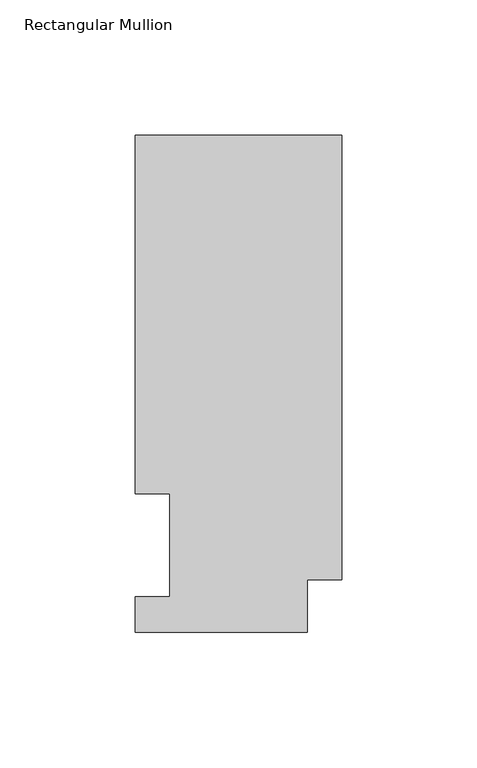
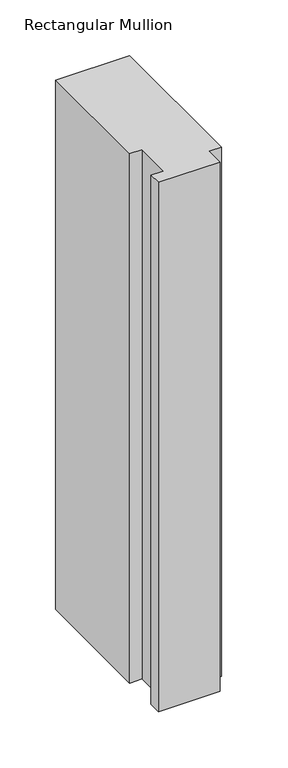
"""IFC4 building model written with IfcOpenShell, lengths in millimetres: member geometry, Rectangular Mullion."""

from ifc_helpers import new_model, si_unit, frame, origin, place, context, project, spatial, polyline, outline, extrude, source, transform, mapped, element, save


def rectangular_mullion_80002140(model_context):
    return source(origin(), model_context, "Body", "SweptSolid", [
        extrude(outline(polyline([(0.0, 221.9539313), (0.0, 57.8445312), (-12.6999996, 57.8445312), (-12.6999996, 38.3119312), (-76.2, 38.3119312), (-76.2, 51.4945312), (-63.4943324, 51.4945312), (-63.4943324, 89.5945313), (-76.2, 89.5945313), (-76.2, 221.9539313), (0.0, 221.9539313)])), frame((0.0, 0.0, -577.8500002), z_axis=(0.0, 0.0, 1.0), x_axis=(1.0, 0.0, 0.0)), (0.0, 0.0, 1.0), 577.8500002),
    ])


if __name__ == "__main__":
    model = new_model("IFC4")
    model_context = context("Model", 3, world=origin())
    ifc_project = project(units=[si_unit("LENGTHUNIT", "METRE", prefix="MILLI")], contexts=[model_context])
    site = spatial("IfcSite", under=ifc_project)
    building = spatial("IfcBuilding", under=site)
    placement = place(None, origin())
    rectangular_mullion_shape = rectangular_mullion_80002140(model_context)
    element("IfcMember", 1, ObjectType="Rectangular Mullion", at=placement, inside=building, context=model_context, shape_type="MappedRepresentation", body=[
        mapped(rectangular_mullion_shape, transform((0.0, 0.0, 0.0), x_axis=(1.0, 0.0, 0.0), y_axis=(0.0, 1.0, 0.0), z_axis=(0.0, 0.0, 1.0))),
    ])
    save(model, "model.ifc")
